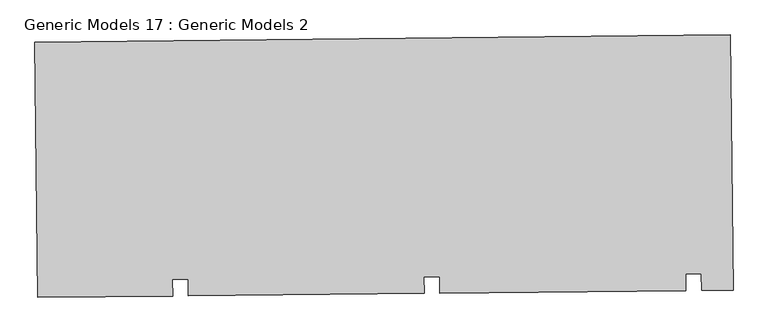
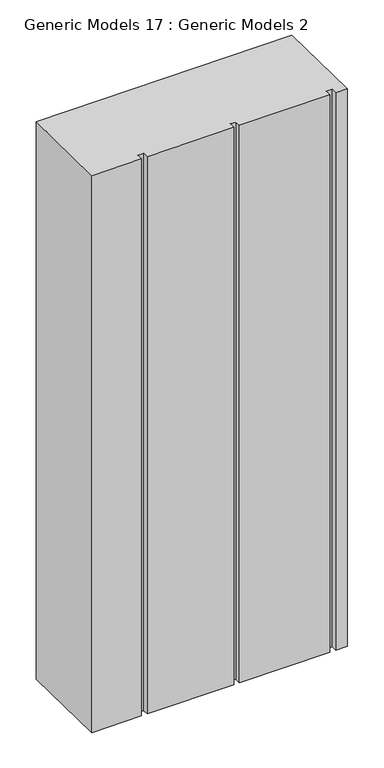
"""IFC4 building model written with IfcOpenShell, lengths in millimetres: proxy geometry, Generic Models 17 : Generic Models 2."""

from ifc_helpers import new_model, si_unit, frame, origin, place, context, project, spatial, polyline, outline, extrude, source, transform, mapped, element, save


def generic_models_17_generic_models_2_12a6a06c(model_context):
    return source(origin(), model_context, "Body", "SweptSolid", [
        extrude(outline(polyline([(3429.7502709, -15780.4480251), (3434.9594993, -16267.4623814), (3374.9629313, -16268.1041198), (3374.6244945, -16236.4634292), (3344.5927796, -16236.784656), (3344.9312164, -16268.4253466), (2874.9915313, -16273.4519401), (2874.6530945, -16241.8112494), (2844.6213796, -16242.1324762), (2844.9598164, -16273.7731669), (2395.0189873, -16278.5858475), (2394.6805505, -16246.9451568), (2364.6488356, -16247.2663836), (2364.9872724, -16278.9070743), (2107.4468164, -16281.661792), (2102.237588, -15794.6474357), (3429.7502709, -15780.4480251)])), frame((0.0, 0.0, 6000.0), z_axis=(0.0, 0.0, 1.0), x_axis=(1.0, 0.0, 0.0)), (0.0, 0.0, 1.0), 3044.7067261),
    ])


if __name__ == "__main__":
    model = new_model("IFC4")
    model_context = context("Model", 3, world=origin())
    ifc_project = project(units=[si_unit("LENGTHUNIT", "METRE", prefix="MILLI")], contexts=[model_context])
    site = spatial("IfcSite", under=ifc_project)
    building = spatial("IfcBuilding", under=site)
    placement = place(None, origin())
    generic_models_17_generic_models_2_shape = generic_models_17_generic_models_2_12a6a06c(model_context)
    element("IfcBuildingElementProxy", 1, Name="Generic Models 17 : Generic Models 2", ObjectType="Generic Models 17 : Generic Models 2", at=placement, inside=building, context=model_context, shape_type="MappedRepresentation", body=[
        mapped(generic_models_17_generic_models_2_shape, transform((0.0, 0.0, 0.0), x_axis=(1.0, 0.0, 0.0), y_axis=(0.0, 1.0, 0.0), z_axis=(0.0, 0.0, 1.0))),
    ])
    save(model, "model.ifc")
